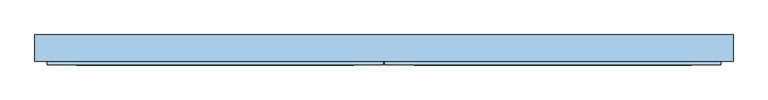
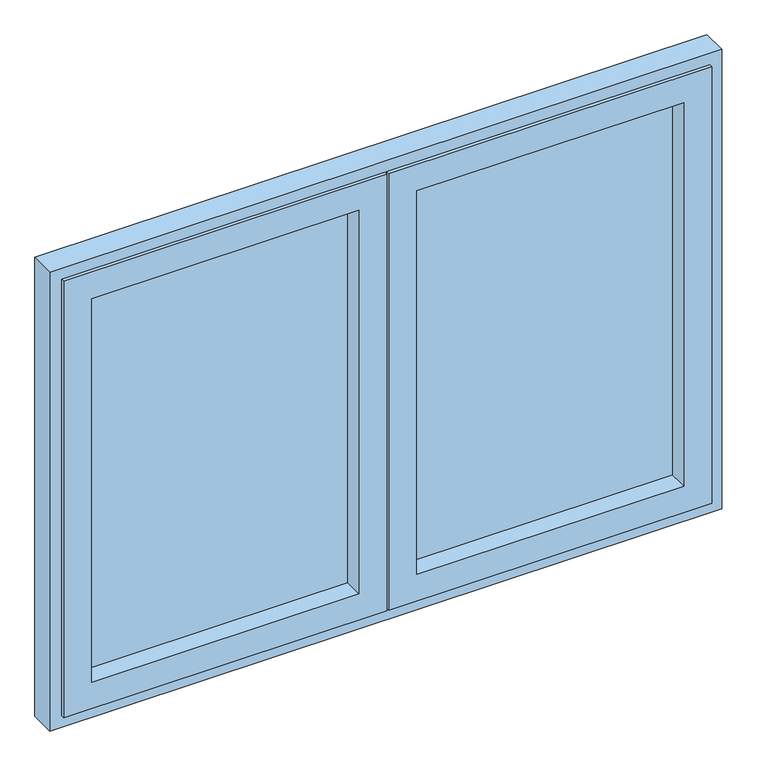
"""IFC4 building model written with IfcOpenShell, lengths in millimetres: window geometry."""

import ifcopenshell
import ifcopenshell.guid

model = None  # the IFC model being written
_history = None  # IfcOwnerHistory: only IFC2X3 demands one
_inside = {}  # id of a spatial element -> (the spatial element, [elements in it])
_under = {}  # id of a project, library or spatial element -> (it, [spatial elements below it])
_declared = {}  # id of a project -> (the project, [libraries it declares])
_typed = {}  # id of a type object -> (the type object, [elements of that type])
_made_of = {}  # id of a material, layer set ... -> (it, [elements and type objects made of it])


def new_model(schema):
    """Start an empty IFC model of exactly this schema.

    Asked for "IFC4X3", IfcOpenShell would pick the latest addendum, in which some entities
    have other attributes; the version numbers below select the first issue.
    IFC2X3 requires an IfcOwnerHistory on every rooted entity: one is made here for all.
    """
    global model, _history
    if schema == "IFC4X3":
        model = ifcopenshell.file(schema_version=(4, 3, 0, 0))
    else:
        model = ifcopenshell.file(schema=schema)
    _inside.clear()
    _under.clear()
    _declared.clear()
    _typed.clear()
    _made_of.clear()
    _history = None
    if model.schema == "IFC2X3":
        org = make("IfcOrganization", Name="unknown")
        user = make(
            "IfcPersonAndOrganization",
            ThePerson=make("IfcPerson", FamilyName="unknown"),
            TheOrganization=org,
        )
        app = make(
            "IfcApplication",
            ApplicationDeveloper=org,
            Version="unknown",
            ApplicationFullName="unknown",
            ApplicationIdentifier="unknown",
        )
        _history = make(
            "IfcOwnerHistory",
            OwningUser=user,
            OwningApplication=app,
            ChangeAction="ADDED",
            CreationDate=0,
        )
    return model


def make(cls, **values):
    """One entity of the class cls with the attributes given. An attribute that is None is left unset."""
    return model.create_entity(
        cls, **{name: value for name, value in values.items() if value is not None}
    )


def rooted(cls, **values):
    """An entity with a GlobalId (a new one), such as an element, a storey or a relation."""
    return make(cls, GlobalId=ifcopenshell.guid.new(), OwnerHistory=_history, **values)


def si_unit(unit_type, name, prefix=None):
    """IfcSIUnit, for example si_unit("LENGTHUNIT", "METRE", prefix="MILLI")."""
    return make("IfcSIUnit", UnitType=unit_type, Prefix=prefix, Name=name)


def assignment(units):
    """IfcUnitAssignment: the units of a project."""
    return None if units is None else make("IfcUnitAssignment", Units=units)


def point(xyz):
    """IfcCartesianPoint."""
    return None if xyz is None else make("IfcCartesianPoint", Coordinates=xyz)


def direction(xyz):
    """IfcDirection."""
    return None if xyz is None else make("IfcDirection", DirectionRatios=xyz)


def frame(location, z_axis=None, x_axis=None):
    """IfcAxis2Placement3D, a coordinate frame: its origin and axes. An axis left out is left unset."""
    return make(
        "IfcAxis2Placement3D",
        Location=point(location),
        Axis=direction(z_axis),
        RefDirection=direction(x_axis),
    )


def origin():
    """The frame at (0, 0, 0) with its axes left unset."""
    return frame((0.0, 0.0, 0.0))


def place(relative_to, where):
    """IfcLocalPlacement: puts the frame where relative to a parent placement (None: the world)."""
    return make(
        "IfcLocalPlacement", PlacementRelTo=relative_to, RelativePlacement=where
    )


def context(
    kind, dimensions, precision=None, world=None, true_north=None, identifier=None
):
    """IfcGeometricRepresentationContext, for example the 3D "Model" context."""
    return make(
        "IfcGeometricRepresentationContext",
        ContextIdentifier=identifier,
        ContextType=kind,
        CoordinateSpaceDimension=dimensions,
        Precision=precision,
        WorldCoordinateSystem=world,
        TrueNorth=true_north,
    )


def project(units=None, contexts=None):
    """IfcProject with its units and contexts."""
    return rooted(
        "IfcProject",
        Name="project",
        RepresentationContexts=contexts,
        UnitsInContext=assignment(units),
    )


def spatial(cls, under=None, at=None, **own):
    """A site, building, storey or space (cls), placed at a placement, below another one or the project."""
    s = rooted(cls, ObjectPlacement=at, **own)
    if under is not None:
        _under.setdefault(under.id(), (under, []))[1].append(s)
    return s


def polyline(points):
    """IfcPolyline through the points."""
    return make("IfcPolyline", Points=[point(p) for p in points])


def outline(outer, holes=None, kind="AREA"):
    """IfcArbitraryClosedProfileDef: a profile drawn as a closed curve; with holes, ...WithVoids."""
    if holes is None:
        return make("IfcArbitraryClosedProfileDef", ProfileType=kind, OuterCurve=outer)
    return make(
        "IfcArbitraryProfileDefWithVoids",
        ProfileType=kind,
        OuterCurve=outer,
        InnerCurves=holes,
    )


def extrude(swept, where, along, depth):
    """IfcExtrudedAreaSolid: the profile swept, set in the frame where, extruded along a direction by depth."""
    return make(
        "IfcExtrudedAreaSolid",
        SweptArea=swept,
        Position=where,
        ExtrudedDirection=direction(along),
        Depth=depth,
    )


def faces_of(points, faces, orient=None, outer=None):
    """IfcFace entities. A face is a list of loops; a loop is a list of indices into points, from 0.

    orient and outer hold one flag for each loop. By default every Orientation is true, the
    first loop of a face is its IfcFaceOuterBound and the others are IfcFaceBound.
    """
    made = []
    for i, loops in enumerate(faces):
        bounds = []
        for j, loop in enumerate(loops):
            is_outer = j == 0 if outer is None else outer[i][j]
            bounds.append(
                make(
                    "IfcFaceOuterBound" if is_outer else "IfcFaceBound",
                    Bound=make("IfcPolyLoop", Polygon=[points[k] for k in loop]),
                    Orientation=True if orient is None else orient[i][j],
                )
            )
        made.append(make("IfcFace", Bounds=bounds))
    return made


def faceted_brep(points, faces, orient=None, outer=None, voids=None):
    """IfcFacetedBrep: a solid bounded by flat faces; with voids (closed shells), ...WithVoids."""
    shared = [point(p) for p in points]
    hull = make("IfcClosedShell", CfsFaces=faces_of(shared, faces, orient, outer))
    if voids is None:
        return make("IfcFacetedBrep", Outer=hull)
    return make(
        "IfcFacetedBrepWithVoids",
        Outer=hull,
        Voids=[
            make(cls, CfsFaces=faces_of(shared, fs, o, b)) for cls, fs, o, b in voids
        ],
    )


def shape(context_of_items, identifier, shape_type, items):
    """IfcShapeRepresentation: the items that make up one representation, for example the "Body"."""
    return make(
        "IfcShapeRepresentation",
        ContextOfItems=context_of_items,
        RepresentationIdentifier=identifier,
        RepresentationType=shape_type,
        Items=items,
    )


def source(mapping_origin, context_of_items, identifier, shape_type, items):
    """IfcRepresentationMap: a shape defined once, which mapped items show again and again."""
    return make(
        "IfcRepresentationMap",
        MappingOrigin=mapping_origin,
        MappedRepresentation=shape(context_of_items, identifier, shape_type, items),
    )


def transform(
    local_origin,
    x_axis=None,
    y_axis=None,
    z_axis=None,
    scale=None,
    scale2=None,
    scale3=None,
    uniform=True,
):
    """IfcCartesianTransformationOperator3D, or its non-uniform kind. x_axis, y_axis, z_axis: its Axis1, 2, 3."""
    if uniform:
        return make(
            "IfcCartesianTransformationOperator3D",
            Axis1=direction(x_axis),
            Axis2=direction(y_axis),
            LocalOrigin=point(local_origin),
            Scale=scale,
            Axis3=direction(z_axis),
        )
    return make(
        "IfcCartesianTransformationOperator3DnonUniform",
        Axis1=direction(x_axis),
        Axis2=direction(y_axis),
        LocalOrigin=point(local_origin),
        Scale=scale,
        Axis3=direction(z_axis),
        Scale2=scale2,
        Scale3=scale3,
    )


def mapped(mapping_source, mapping_target):
    """IfcMappedItem: shows the shape of a source again, moved by a transform."""
    return make(
        "IfcMappedItem", MappingSource=mapping_source, MappingTarget=mapping_target
    )


def made_of(thing, what):
    """Note that an element or type object is made of a material, layer set ...; save() writes the relation."""
    if what is not None:
        _made_of.setdefault(what.id(), (what, []))[1].append(thing)
    return thing


def element(
    cls,
    number,
    at=None,
    inside=None,
    cuts=None,
    type_object=None,
    material=None,
    context=None,
    identifier="Body",
    shape_type=None,
    held_by="IfcProductDefinitionShape",
    body=None,
    shapes=None,
    **own,
):
    """One element of the class cls, such as IfcWall. Its Tag is "e" and its number.

    at: its placement. inside: the storey or other place that contains it. cuts: it is an
    opening in that element (IfcRelVoidsElement). A single representation is given by context,
    identifier, shape_type and body (its items); several are given by shapes. held_by: the class
    of the entity that holds the representations. save() writes the other relations.
    """
    e = rooted(cls, Tag="e%d" % number, ObjectPlacement=at, **own)
    if body is not None:
        shapes = [shape(context, identifier, shape_type, body)]
    if shapes is not None:
        e.Representation = make(held_by, Representations=shapes)
    if inside is not None:
        _inside.setdefault(inside.id(), (inside, []))[1].append(e)
    if cuts is not None:
        rooted(
            "IfcRelVoidsElement", RelatingBuildingElement=cuts, RelatedOpeningElement=e
        )
    if type_object is not None:
        _typed.setdefault(type_object.id(), (type_object, []))[1].append(e)
    return made_of(e, material)


def aggregate(whole, parts):
    """IfcRelAggregates: a whole, such as a stair, and the parts it consists of."""
    return rooted("IfcRelAggregates", RelatingObject=whole, RelatedObjects=parts)


def save(model, path):
    """Write the relations noted so far, then the file.

    IfcRelAggregates (storeys below a building ...), IfcRelContainedInSpatialStructure (elements
    in a storey), IfcRelDefinesByType, IfcRelAssociatesMaterial and IfcRelDeclares: one each for
    every whole, place, type object, material and project.
    """
    for whole, parts in _under.values():
        aggregate(whole, parts)
    for where, things in _inside.values():
        rooted(
            "IfcRelContainedInSpatialStructure",
            RelatedElements=things,
            RelatingStructure=where,
        )
    for kind, things in _typed.values():
        rooted("IfcRelDefinesByType", RelatedObjects=things, RelatingType=kind)
    for what, things in _made_of.values():
        rooted("IfcRelAssociatesMaterial", RelatedObjects=things, RelatingMaterial=what)
    for by, libraries in _declared.values():
        rooted("IfcRelDeclares", RelatingContext=by, RelatedDefinitions=libraries)
    model.write(path)


def window_efe4b7a0(model_context):
    return source(origin(), model_context, "Body", "SolidModel", [
        extrude(outline(polyline([(793.0, 20.0), (77.5, 20.0), (77.5, 26.0), (793.0, 26.0), (793.0, 20.0)])), frame((0.0, 0.0, 1007.0), z_axis=(0.0, 0.0, 1.0), x_axis=(1.0, 0.0, 0.0)), (0.0, 0.0, 1.0), 1086.0),
        extrude(outline(polyline([(793.0, 8.0), (77.5, 8.0), (77.5, 14.0), (793.0, 14.0), (793.0, 8.0)])), frame((0.0, 0.0, 1007.0), z_axis=(0.0, 0.0, 1.0), x_axis=(1.0, 0.0, 0.0)), (0.0, 0.0, 1.0), 1086.0),
        extrude(outline(polyline([(793.0, 8.0), (77.5, 8.0), (77.5, 14.0), (793.0, 14.0), (793.0, 8.0)])), frame((0.0, 0.0, 1007.0), z_axis=(0.0, 0.0, 1.0), x_axis=(1.0, 0.0, 0.0)), (0.0, 0.0, 1.0), 1086.0),
        extrude(outline(polyline([(-77.5, 20.0), (-793.0, 20.0), (-793.0, 26.0), (-77.5, 26.0), (-77.5, 20.0)])), frame((0.0, 0.0, 1007.0), z_axis=(0.0, 0.0, 1.0), x_axis=(1.0, 0.0, 0.0)), (0.0, 0.0, 1.0), 1086.0),
        extrude(outline(polyline([(-77.5, 8.0), (-793.0, 8.0), (-793.0, 14.0), (-77.5, 14.0), (-77.5, 8.0)])), frame((0.0, 0.0, 1007.0), z_axis=(0.0, 0.0, 1.0), x_axis=(1.0, 0.0, 0.0)), (0.0, 0.0, 1.0), 1086.0),
        faceted_brep([(868.0, -34.0, 2168.0), (868.0, -43.5, 2168.0), (868.0, -43.5, 932.0), (868.0, -34.0, 932.0), (2.5, -43.5, 2168.0), (2.5, -43.5, 932.0), (793.0, -43.5, 1007.0), (77.5, -43.5, 1007.0), (77.5, -43.5, 2093.0), (793.0, -43.5, 2093.0), (2.5, -34.0, 932.0), (2.5, -34.0, 2168.0), (843.0, -34.0, 2143.0), (27.5, -34.0, 2143.0), (27.5, -34.0, 957.0), (843.0, -34.0, 957.0), (843.0, 29.0, 2143.0), (843.0, 29.0, 957.0), (27.5, 29.0, 957.0), (27.5, 29.0, 2143.0), (836.0, 29.0, 2136.0), (34.5, 29.0, 2136.0), (34.5, 29.0, 964.0), (836.0, 29.0, 964.0), (836.0, 34.0, 2136.0), (836.0, 34.0, 964.0), (34.5, 34.0, 964.0), (34.5, 34.0, 2136.0), (793.0, 34.0, 2093.0), (77.5, 34.0, 2093.0), (77.5, 34.0, 1007.0), (793.0, 34.0, 1007.0)], [[[0, 1, 2, 3]], [[1, 4, 5, 2], [6, 7, 8, 9]], [[3, 2, 5, 10]], [[3, 10, 11, 0], [12, 13, 14, 15]], [[16, 12, 15, 17]], [[17, 15, 14, 18]], [[17, 18, 19, 16], [20, 21, 22, 23]], [[24, 20, 23, 25]], [[25, 23, 22, 26]], [[25, 26, 27, 24], [28, 29, 30, 31]], [[9, 28, 31, 6]], [[6, 31, 30, 7]], [[10, 5, 4, 11]], [[18, 14, 13, 19]], [[26, 22, 21, 27]], [[7, 30, 29, 8]], [[11, 4, 1, 0]], [[19, 13, 12, 16]], [[27, 21, 20, 24]], [[8, 29, 28, 9]]]),
        extrude(outline(polyline([(29.5, 34.0), (29.5, 29.0), (27.5, 29.0), (27.5, -9.0), (8.5, -9.0), (8.5, -34.0), (-4.5, -34.0), (-4.5, 29.0), (-29.5, 29.0), (-29.5, 34.0), (29.5, 34.0)])), frame((0.0, 0.0, 959.0), z_axis=(0.0, 0.0, 1.0), x_axis=(1.0, 0.0, 0.0)), (0.0, 0.0, 1.0), 1182.0),
        faceted_brep([(-2.5, -34.0, 2168.0), (-2.5, -43.5, 2168.0), (-2.5, -43.5, 932.0), (-2.5, -34.0, 932.0), (-868.0, -43.5, 2168.0), (-868.0, -43.5, 932.0), (-77.5, -43.5, 1007.0), (-793.0, -43.5, 1007.0), (-793.0, -43.5, 2093.0), (-77.5, -43.5, 2093.0), (-868.0, -34.0, 932.0), (-868.0, -34.0, 2168.0), (-27.5, -34.0, 2143.0), (-843.0, -34.0, 2143.0), (-843.0, -34.0, 957.0), (-27.5, -34.0, 957.0), (-27.5, 29.0, 2143.0), (-27.5, 29.0, 957.0), (-843.0, 29.0, 957.0), (-843.0, 29.0, 2143.0), (-34.5, 29.0, 2136.0), (-836.0, 29.0, 2136.0), (-836.0, 29.0, 964.0), (-34.5, 29.0, 964.0), (-34.5, 34.0, 2136.0), (-34.5, 34.0, 964.0), (-836.0, 34.0, 964.0), (-836.0, 34.0, 2136.0), (-77.5, 34.0, 2093.0), (-793.0, 34.0, 2093.0), (-793.0, 34.0, 1007.0), (-77.5, 34.0, 1007.0)], [[[0, 1, 2, 3]], [[1, 4, 5, 2], [6, 7, 8, 9]], [[3, 2, 5, 10]], [[3, 10, 11, 0], [12, 13, 14, 15]], [[16, 12, 15, 17]], [[17, 15, 14, 18]], [[17, 18, 19, 16], [20, 21, 22, 23]], [[24, 20, 23, 25]], [[25, 23, 22, 26]], [[25, 26, 27, 24], [28, 29, 30, 31]], [[9, 28, 31, 6]], [[6, 31, 30, 7]], [[10, 5, 4, 11]], [[18, 14, 13, 19]], [[26, 22, 21, 27]], [[7, 30, 29, 8]], [[11, 4, 1, 0]], [[19, 13, 12, 16]], [[27, 21, 20, 24]], [[8, 29, 28, 9]]]),
        faceted_brep([(-900.0, -34.0, 900.0), (-900.0, 34.0, 900.0), (900.0, 34.0, 900.0), (900.0, -34.0, 900.0), (900.0, 34.0, 2200.0), (900.0, -34.0, 2200.0), (-900.0, 34.0, 2200.0), (841.0, 34.0, 2141.0), (-841.0, 34.0, 2141.0), (-841.0, 34.0, 959.0), (841.0, 34.0, 959.0), (-900.0, -34.0, 2200.0), (863.0, -34.0, 937.0), (-863.0, -34.0, 937.0), (-863.0, -34.0, 2163.0), (863.0, -34.0, 2163.0), (-863.0, 29.0, 937.0), (863.0, 29.0, 937.0), (863.0, 29.0, 2163.0), (-863.0, 29.0, 2163.0), (841.0, 29.0, 959.0), (-841.0, 29.0, 959.0), (-841.0, 29.0, 2141.0), (841.0, 29.0, 2141.0)], [[[0, 1, 2, 3]], [[3, 2, 4, 5]], [[2, 1, 6, 4], [7, 8, 9, 10]], [[5, 11, 0, 3], [12, 13, 14, 15]], [[16, 13, 12, 17]], [[17, 12, 15, 18]], [[18, 19, 16, 17], [20, 21, 22, 23]], [[9, 21, 20, 10]], [[10, 20, 23, 7]], [[11, 6, 1, 0]], [[19, 14, 13, 16]], [[8, 22, 21, 9]], [[5, 4, 6, 11]], [[18, 15, 14, 19]], [[7, 23, 22, 8]]]),
    ])


if __name__ == "__main__":
    model = new_model("IFC4")
    model_context = context("Model", 3, world=origin())
    ifc_project = project(units=[si_unit("LENGTHUNIT", "METRE", prefix="MILLI")], contexts=[model_context])
    site = spatial("IfcSite", under=ifc_project)
    building = spatial("IfcBuilding", under=site)
    placement = place(None, origin())
    window_shape = window_efe4b7a0(model_context)
    element("IfcWindow", 1, at=placement, inside=building, context=model_context, shape_type="MappedRepresentation", body=[
        mapped(window_shape, transform((0.0, 0.0, 0.0), x_axis=(1.0, 0.0, 0.0), y_axis=(0.0, 1.0, 0.0), z_axis=(0.0, 0.0, 1.0))),
    ])
    save(model, "model.ifc")
